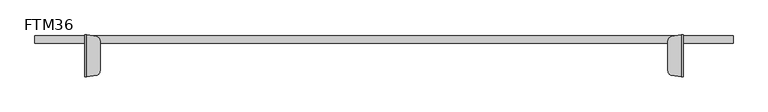
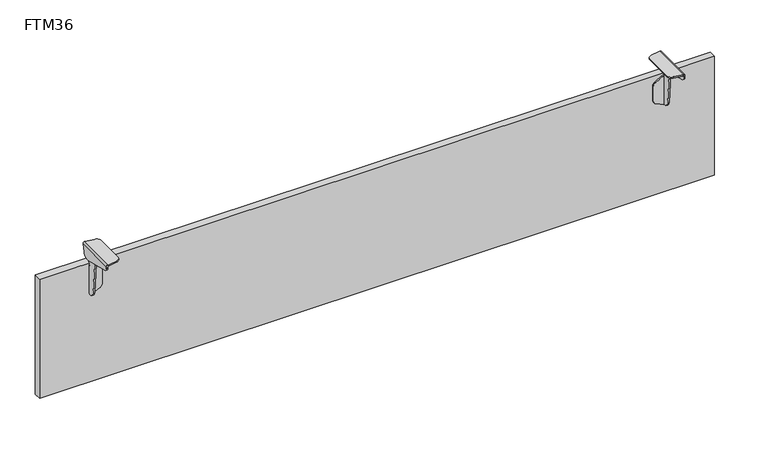
"""IFC4 building model written with IfcOpenShell, lengths in millimetres: furniture geometry, FTM36."""

from ifc_helpers import new_model, si_unit, frame, origin, origin_with_axes, place, context, project, spatial, polyline, circle_curve, ellipse_curve, outline, extrude, source, transform, mapped, element, save
from ifc_brep_helpers import plane_surface, cylinder_surface, revolved_surface, advanced_brep


def ftm36_ca43716c(model_context):
    return source(origin(), model_context, "Body", "SolidModel", [
        advanced_brep(
        [(639.8, -72.16308, 319.1049121), (643.0, -72.16308, 315.9049121), (643.0, 17.6147548, 315.9049121), (642.9937439, 17.6539668, 316.1049121), (642.9937439, 17.83692, 316.1049121), (639.8, 17.83692, 319.1049121), (639.0, 17.83692, 319.1049121), (618.4975038, 14.723401, 319.1049121), (610.0, 4.83692, 319.1049121), (610.0, -59.16308, 319.1049121), (618.498606, -69.0423034, 319.1049121), (639.0, -72.16308, 319.1049121), (610.0, 4.83692, 316.1049121), (610.0, -59.16308, 316.1049121), (618.498606, 14.7161435, 316.1049121), (637.7952546, 17.6539668, 316.1049121), (638.0, 17.6850596, 316.1049121), (638.0, -72.0112195, 316.1049121), (618.4975038, -69.049561, 316.1049121), (640.0, 17.2618463, 314.1049121), (640.0, -72.16308, 314.1049121), (639.0, -72.16308, 315.8369629), (640.0, 14.0544932, 297.7458971), (640.0, -2.4822519, 287.8096181), (640.0, -67.2023451, 304.1426596), (640.0, -71.9879899, 310.8156242), (640.0, -72.1318917, 313.6921538), (643.0, -72.16308, 313.6905936), (643.0, -71.9879899, 310.8156242), (643.0, -67.2023451, 304.1426596), (643.0, -2.4822519, 287.8096181), (643.0, 14.0544932, 297.7458971), (639.0, 17.83692, 316.1049121)],
        [
            (0, 1, circle_curve(frame((639.8, -72.16308, 315.9049121), z_axis=(0.0, 1.0, 0.0), x_axis=(-1.0000000000000007, 0.0, 0.0)), 3.2)),
            (1, 2),
            (2, 3, ellipse_curve(frame((639.8, 17.6147548, 315.9049121), z_axis=(0.0, -0.9813171133351304, 0.19239730527116772), x_axis=(0.0, 0.1923973052711675, 0.9813171133351304)), 3.2609235, 3.2)),
            (3, 4),
            (4, 5, circle_curve(frame((639.8, 17.83692, 315.9049121), z_axis=(0.0, -1.0, 0.0), x_axis=(-1.0000000000000007, 0.0, 0.0)), 3.2)),
            (5, 0),
            (5, 6),
            (6, 7),
            (7, 8, circle_curve(frame((619.9999972, 4.8294947, 319.1049121), z_axis=(0.0, 0.0, 1.0), x_axis=(0.0, -1.0000000000000007, 0.0)), 10.0)),
            (8, 9),
            (9, 10, circle_curve(frame((619.9999972, -59.1556546, 319.1049121), z_axis=(0.0, 0.0, 1.0), x_axis=(0.0, 1.0000000000000007, 0.0)), 10.0)),
            (10, 11),
            (11, 0),
            (8, 12),
            (12, 13),
            (13, 9),
            (12, 14, circle_curve(frame((619.9999972, 4.8294947, 316.1049121), z_axis=(0.0, 0.0, -1.0), x_axis=(0.0, -1.0000000000000007, 0.0)), 10.0)),
            (14, 15),
            (15, 16),
            (16, 17),
            (17, 18),
            (18, 13, circle_curve(frame((619.9999972, -59.1556546, 316.1049121), z_axis=(0.0, 0.0, -1.0), x_axis=(0.0, 1.0000000000000007, 0.0)), 10.0)),
            (16, 19, ellipse_curve(frame((638.0, 17.2618463, 314.1049121), z_axis=(0.0, 0.9813171133351304, -0.19239730527116772), x_axis=(0.0, -0.1923973052711675, -0.9813171133351304)), 2.0380772, 2.0)),
            (19, 20),
            (20, 21, circle_curve(frame((638.0, -72.16308, 314.1049121), z_axis=(0.0, -1.0, 0.0), x_axis=(-1.0000000000000007, 0.0, 0.0)), 2.0)),
            (21, 17, ellipse_curve(frame((638.0, -72.0112195, 314.1049121), z_axis=(-0.15013912753490172, -0.9886648787041333, 0.0), x_axis=(0.9886648787041334, -0.15013912753490108, 0.0)), 2.0229302, 2.0)),
            (19, 22),
            (22, 23, circle_curve(frame((640.0, -0.104124, 302.580771), z_axis=(-1.0, 0.0, 0.0), x_axis=(0.0, 1.0000000000000007, 0.0)), 14.9613652)),
            (23, 24, circle_curve(frame((640.0, 58.171635, 664.5462216), z_axis=(-1.0, 0.0, 0.0), x_axis=(0.0, 1.0000000000000007, 0.0)), 381.5879485)),
            (24, 25, circle_curve(frame((640.0, -64.2507209, 311.3120144), z_axis=(-1.0, 0.0, 0.0), x_axis=(0.0, 1.0000000000000007, 0.0)), 7.7531757)),
            (25, 26),
            (26, 20),
            (1, 27),
            (27, 28),
            (28, 29, circle_curve(frame((643.0, -64.2507209, 311.3120144), z_axis=(1.0, 0.0, 0.0), x_axis=(0.0, 1.0000000000000007, 0.0)), 7.7531757)),
            (29, 30, circle_curve(frame((643.0, 58.171635, 664.5462216), z_axis=(1.0, 0.0, 0.0), x_axis=(0.0, 1.0000000000000007, 0.0)), 381.5879485)),
            (30, 31, circle_curve(frame((643.0, -0.104124, 302.580771), z_axis=(1.0, 0.0, 0.0), x_axis=(0.0, 1.0000000000000007, 0.0)), 14.9613652)),
            (31, 2),
            (18, 10),
            (26, 27),
            (11, 21),
            (6, 32),
            (32, 16),
            (14, 7),
            (4, 32),
            (25, 28),
            (24, 29),
            (23, 30),
            (22, 31),
            (16, 3),
        ],
        [
            cylinder_surface(frame((639.8, -77.16308, 315.9049121), z_axis=(0.0, 1.0000000000000007, 0.0), x_axis=(-1.0000000000000007, 0.0, 0.0)), 3.2),
            plane_surface(frame((639.8, 22.83692, 319.1049121), z_axis=(0.0, 0.0, 1.0), x_axis=(0.0, -1.0, 0.0))),
            plane_surface(frame((610.0, 22.83692, 319.1049121), z_axis=(-1.0, 0.0, 0.0), x_axis=(0.0, -1.0, 0.0))),
            plane_surface(frame((610.0, 22.83692, 316.1049121), z_axis=(0.0, 0.0, -1.0), x_axis=(0.0, -1.0, 0.0))),
            revolved_surface(polyline([(636.0, -72.31494047529199, 314.1049121), (636.0, 17.685059600000116, 314.1049121)]), (638.0, -77.16308, 314.1049121), (0.0, -1.0000000000000007, 0.0)),
            plane_surface(frame((640.0, 22.83692, 314.1049121), z_axis=(-1.0, 0.0, 0.0), x_axis=(0.0, -1.0, 0.0))),
            plane_surface(frame((643.0, 22.83692, 286.8077472), z_axis=(1.0, 0.0, 0.0), x_axis=(0.0, -1.0, 0.0))),
            cylinder_surface(frame((619.9999972, -59.1556546, 268.1049121), z_axis=(0.0, 0.0, -1.0), x_axis=(0.0, 1.0000000000000007, 0.0)), 10.0),
            plane_surface(frame((639.0, -72.16308, 348.1049121), z_axis=(0.0, -1.0, 0.0), x_axis=(0.0, 0.0, -1.0))),
            plane_surface(frame((618.4975038, -69.049561, 348.1049121), z_axis=(-0.15013912753490172, -0.9886648787041333, 0.0), x_axis=(0.0, 0.0, -1.0))),
            plane_surface(frame((639.0, 17.83692, 348.1049121), z_axis=(-0.15013912753491127, 0.9886648787041318, 0.0), x_axis=(0.0, 0.0, -1.0))),
            plane_surface(frame((646.6947292, 17.83692, 348.1049121), z_axis=(0.0, 1.0, 0.0), x_axis=(0.0, 0.0, -1.0))),
            cylinder_surface(frame((619.9999972, 4.8294947, 308.1049121), z_axis=(0.0, 0.0, -1.0), x_axis=(0.0, -1.0000000000000007, 0.0)), 10.0),
            plane_surface(frame((693.0, -72.1318136, 313.6905936), z_axis=(0.0, -0.9987510344134602, -0.04996369940309944), x_axis=(-1.0, 0.0, 0.0))),
            cylinder_surface(frame((593.0, -64.2507209, 311.3120144), z_axis=(-1.0000000000000007, 0.0, 0.0), x_axis=(0.0, 1.0000000000000007, 0.0)), 7.7531757),
            cylinder_surface(frame((593.0, 58.171635, 664.5462216), z_axis=(-1.0000000000000007, 0.0, 0.0), x_axis=(0.0, 1.0000000000000007, 0.0)), 381.5879485),
            cylinder_surface(frame((593.0, -0.104124, 302.580771), z_axis=(-1.0000000000000007, 0.0, 0.0), x_axis=(0.0, 1.0000000000000007, 0.0)), 14.9613652),
            plane_surface(frame((693.0, 14.0544932, 297.7458971), z_axis=(0.0, 0.9813171133351304, -0.19239730527116772), x_axis=(-1.0, 0.0, 0.0))),
            plane_surface(frame((693.0, 17.6539668, 316.1049121), z_axis=(0.0, 0.0, -1.0), x_axis=(-1.0, 0.0, 0.0))),
        ],
        [
            (0, [[1, 2, 3, 4, 5, 6]]),
            (1, [[7, 8, 9, 10, 11, 12, 13, -6]]),
            (2, [[14, 15, 16, -10]]),
            (3, [[17, 18, 19, 20, 21, 22, -15]]),
            (4, [[23, 24, 25, 26, -20]]),
            (5, [[27, 28, 29, 30, 31, 32, -24]]),
            (6, [[33, 34, 35, 36, 37, 38, -2]]),
            (7, [[-11, -16, -22, 39]]),
            (8, [[-25, -32, 40, -33, -1, -13, 41]]),
            (9, [[-12, -39, -21, -26, -41]]),
            (10, [[-8, 42, 43, -19, -18, 44]]),
            (11, [[-5, 45, -42, -7]]),
            (12, [[-17, -14, -9, -44]]),
            (13, [[-34, -40, -31, 46]]),
            (14, [[-30, 47, -35, -46]]),
            (15, [[-29, 48, -36, -47]]),
            (16, [[-28, 49, -37, -48]]),
            (17, [[-27, -23, 50, -3, -38, -49]]),
            (18, [[-43, -45, -4, -50]]),
        ],
    ),
        advanced_brep(
        [(-639.8, -72.16308, 319.1049121), (-639.8, 17.83692, 319.1049121), (-642.9937439, 17.83692, 316.1049121), (-642.9937439, 17.6539668, 316.1049121), (-643.0, 17.6147548, 315.9049121), (-643.0, -72.16308, 315.9049121), (-639.0, -72.16308, 319.1049121), (-618.4975038, -69.049561, 319.1049121), (-610.0, -59.16308, 319.1049121), (-610.0, 4.83692, 319.1049121), (-618.498606, 14.7161435, 319.1049121), (-639.0, 17.83692, 319.1049121), (-610.0, -59.16308, 316.1049121), (-610.0, 4.83692, 316.1049121), (-618.498606, -69.0423034, 316.1049121), (-638.0, -72.0112195, 316.1049121), (-638.0, 17.6850596, 316.1049121), (-637.7952546, 17.6539668, 316.1049121), (-618.4975038, 14.723401, 316.1049121), (-639.0, -72.16308, 315.8369629), (-640.0, -72.16308, 314.1049121), (-640.0, 17.2618463, 314.1049121), (-640.0, -72.16308, 313.6905936), (-640.0, -71.9879899, 310.8156242), (-640.0, -67.2023451, 304.1426596), (-640.0, -2.4822519, 287.8096181), (-640.0, 14.0544932, 297.7458971), (-643.0, 14.0544932, 297.7458971), (-643.0, -2.4822519, 287.8096181), (-643.0, -67.2023451, 304.1426596), (-643.0, -71.9879899, 310.8156242), (-643.0, -72.1318917, 313.6921538), (-639.0, 17.83692, 316.1049121)],
        [
            (0, 1),
            (1, 2, circle_curve(frame((-639.8, 17.83692, 315.9049121), z_axis=(0.0, -1.0, 0.0), x_axis=(1.0000000000000007, 0.0, 0.0)), 3.2)),
            (2, 3),
            (3, 4, ellipse_curve(frame((-639.8, 17.6147548, 315.9049121), z_axis=(0.0, -0.9813171133351304, 0.19239730527116772), x_axis=(0.0, 0.1923973052711675, 0.9813171133351304)), 3.2609235, 3.2)),
            (4, 5),
            (5, 0, circle_curve(frame((-639.8, -72.16308, 315.9049121), z_axis=(0.0, 1.0, 0.0), x_axis=(1.0000000000000007, 0.0, 0.0)), 3.2)),
            (0, 6),
            (6, 7),
            (7, 8, circle_curve(frame((-619.9999972, -59.1556546, 319.1049121), z_axis=(0.0, 0.0, 1.0), x_axis=(0.0, 1.0000000000000007, 0.0)), 10.0)),
            (8, 9),
            (9, 10, circle_curve(frame((-619.9999972, 4.8294947, 319.1049121), z_axis=(0.0, 0.0, 1.0), x_axis=(0.0, -1.0000000000000007, 0.0)), 10.0)),
            (10, 11),
            (11, 1),
            (8, 12),
            (12, 13),
            (13, 9),
            (12, 14, circle_curve(frame((-619.9999972, -59.1556546, 316.1049121), z_axis=(0.0, 0.0, -1.0), x_axis=(0.0, 1.0000000000000007, 0.0)), 10.0)),
            (14, 15),
            (15, 16),
            (16, 17),
            (17, 18),
            (18, 13, circle_curve(frame((-619.9999972, 4.8294947, 316.1049121), z_axis=(0.0, 0.0, -1.0), x_axis=(0.0, -1.0000000000000007, 0.0)), 10.0)),
            (15, 19, ellipse_curve(frame((-638.0, -72.0112195, 314.1049121), z_axis=(0.15013912753490172, -0.9886648787041333, 0.0), x_axis=(-0.9886648787041334, -0.15013912753490108, 0.0)), 2.0229302, 2.0)),
            (19, 20, circle_curve(frame((-638.0, -72.16308, 314.1049121), z_axis=(0.0, -1.0, 0.0), x_axis=(1.0000000000000007, 0.0, 0.0)), 2.0)),
            (20, 21),
            (21, 16, ellipse_curve(frame((-638.0, 17.2618463, 314.1049121), z_axis=(0.0, 0.9813171133351304, -0.19239730527116772), x_axis=(0.0, -0.1923973052711675, -0.9813171133351304)), 2.0380772, 2.0)),
            (20, 22),
            (22, 23),
            (23, 24, circle_curve(frame((-640.0, -64.2507209, 311.3120144), z_axis=(1.0, 0.0, 0.0), x_axis=(0.0, 1.0000000000000007, 0.0)), 7.7531757)),
            (24, 25, circle_curve(frame((-640.0, 58.171635, 664.5462216), z_axis=(1.0, 0.0, 0.0), x_axis=(0.0, 1.0000000000000007, 0.0)), 381.5879485)),
            (25, 26, circle_curve(frame((-640.0, -0.104124, 302.580771), z_axis=(1.0, 0.0, 0.0), x_axis=(0.0, 1.0000000000000007, 0.0)), 14.9613652)),
            (26, 21),
            (4, 27),
            (27, 28, circle_curve(frame((-643.0, -0.104124, 302.580771), z_axis=(-1.0, 0.0, 0.0), x_axis=(0.0, 1.0000000000000007, 0.0)), 14.9613652)),
            (28, 29, circle_curve(frame((-643.0, 58.171635, 664.5462216), z_axis=(-1.0, 0.0, 0.0), x_axis=(0.0, 1.0000000000000007, 0.0)), 381.5879485)),
            (29, 30, circle_curve(frame((-643.0, -64.2507209, 311.3120144), z_axis=(-1.0, 0.0, 0.0), x_axis=(0.0, 1.0000000000000007, 0.0)), 7.7531757)),
            (30, 31),
            (31, 5),
            (7, 14),
            (19, 6),
            (31, 22),
            (10, 18),
            (16, 32),
            (32, 11),
            (32, 2),
            (30, 23),
            (29, 24),
            (28, 25),
            (27, 26),
            (3, 16),
        ],
        [
            cylinder_surface(frame((-639.8, -77.16308, 315.9049121), z_axis=(0.0, 1.0000000000000007, 0.0), x_axis=(1.0000000000000007, 0.0, 0.0)), 3.2),
            plane_surface(frame((-639.8, 22.83692, 319.1049121), z_axis=(0.0, 0.0, 1.0), x_axis=(0.0, -1.0, 0.0))),
            plane_surface(frame((-610.0, 22.83692, 319.1049121), z_axis=(1.0, 0.0, 0.0), x_axis=(0.0, -1.0, 0.0))),
            plane_surface(frame((-610.0, 22.83692, 316.1049121), z_axis=(0.0, 0.0, -1.0), x_axis=(0.0, -1.0, 0.0))),
            revolved_surface(polyline([(-636.0, -72.31494047529199, 314.1049121), (-636.0, 17.685059600000116, 314.1049121)]), (-638.0, -77.16308, 314.1049121), (0.0, -1.0000000000000007, 0.0)),
            plane_surface(frame((-640.0, 22.83692, 314.1049121), z_axis=(1.0, 0.0, 0.0), x_axis=(0.0, -1.0, 0.0))),
            plane_surface(frame((-643.0, 22.83692, 286.8077472), z_axis=(-1.0, 0.0, 0.0), x_axis=(0.0, -1.0, 0.0))),
            cylinder_surface(frame((-619.9999972, -59.1556546, 268.1049121), z_axis=(0.0, 0.0, -1.0), x_axis=(0.0, 1.0000000000000007, 0.0)), 10.0),
            plane_surface(frame((-639.0, -72.16308, 348.1049121), z_axis=(0.0, -1.0, 0.0), x_axis=(0.0, 0.0, -1.0))),
            plane_surface(frame((-618.4975038, -69.049561, 348.1049121), z_axis=(0.15013912753490172, -0.9886648787041333, 0.0), x_axis=(0.0, 0.0, -1.0))),
            plane_surface(frame((-639.0, 17.83692, 348.1049121), z_axis=(0.15013912753491127, 0.9886648787041318, 0.0), x_axis=(0.0, 0.0, -1.0))),
            plane_surface(frame((-646.6947292, 17.83692, 348.1049121), z_axis=(0.0, 1.0, 0.0), x_axis=(0.0, 0.0, -1.0))),
            cylinder_surface(frame((-619.9999972, 4.8294947, 308.1049121), z_axis=(0.0, 0.0, -1.0), x_axis=(0.0, -1.0000000000000007, 0.0)), 10.0),
            plane_surface(frame((-693.0, -72.1318136, 313.6905936), z_axis=(0.0, -0.9987510344134602, -0.04996369940309944), x_axis=(1.0, 0.0, 0.0))),
            cylinder_surface(frame((-593.0, -64.2507209, 311.3120144), z_axis=(1.0000000000000007, 0.0, 0.0), x_axis=(0.0, 1.0000000000000007, 0.0)), 7.7531757),
            cylinder_surface(frame((-593.0, 58.171635, 664.5462216), z_axis=(1.0000000000000007, 0.0, 0.0), x_axis=(0.0, 1.0000000000000007, 0.0)), 381.5879485),
            cylinder_surface(frame((-593.0, -0.104124, 302.580771), z_axis=(1.0000000000000007, 0.0, 0.0), x_axis=(0.0, 1.0000000000000007, 0.0)), 14.9613652),
            plane_surface(frame((-693.0, 14.0544932, 297.7458971), z_axis=(0.0, 0.9813171133351304, -0.19239730527116772), x_axis=(1.0, 0.0, 0.0))),
            plane_surface(frame((-693.0, 17.6539668, 316.1049121), z_axis=(0.0, 0.0, -1.0), x_axis=(1.0, 0.0, 0.0))),
        ],
        [
            (0, [[1, 2, 3, 4, 5, 6]]),
            (1, [[-1, 7, 8, 9, 10, 11, 12, 13]]),
            (2, [[-10, 14, 15, 16]]),
            (3, [[-15, 17, 18, 19, 20, 21, 22]]),
            (4, [[-19, 23, 24, 25, 26]]),
            (5, [[-25, 27, 28, 29, 30, 31, 32]]),
            (6, [[-5, 33, 34, 35, 36, 37, 38]]),
            (7, [[39, -17, -14, -9]]),
            (8, [[40, -7, -6, -38, 41, -27, -24]]),
            (9, [[-40, -23, -18, -39, -8]]),
            (10, [[42, -21, -20, 43, 44, -12]]),
            (11, [[-13, -44, 45, -2]]),
            (12, [[-42, -11, -16, -22]]),
            (13, [[46, -28, -41, -37]]),
            (14, [[-46, -36, 47, -29]]),
            (15, [[-47, -35, 48, -30]]),
            (16, [[-48, -34, 49, -31]]),
            (17, [[-49, -33, -4, 50, -26, -32]]),
            (18, [[-50, -3, -45, -43]]),
        ],
    ),
        advanced_brep(
        [(-640.0, 0.0, 207.9691596), (-640.0, -5.1359201, 207.9358061), (-640.0, -16.1031866, 218.3487266), (-640.0, -24.0162134, 312.947232), (-640.0, -21.9387967, 314.9405936), (-640.0, 2.068775, 314.0105225), (-640.0, 8.2738506, 288.0991458), (-640.0, -1.3959769, 280.7935217), (-640.0, -3.0, 277.2580415), (-640.0, -3.0, 276.3853785), (-640.0, 0.0, 276.3853785), (-637.0, -5.1359201, 207.9358061), (-637.0, -3.0, 207.9358061), (-637.0, -3.0, 276.3853785), (-637.0, -3.0, 277.2580415), (-637.0, -1.3959769, 280.7935217), (-637.0, 8.2738506, 288.0991458), (-637.0, 2.068775, 314.0105225), (-637.0, -21.9387967, 314.9405936), (-637.0, -24.0162134, 312.947232), (-637.0, -16.1031866, 218.3487266), (-635.767477, 0.0, 207.9358061), (-635.767477, -3.0, 207.9358061), (-636.5107174, -3.0, 276.3853785), (-618.7298544, -3.0, 215.3352402), (-612.6982669, -3.0, 224.5141128), (-612.6982669, -3.0, 257.1042486), (-617.78218, -3.0, 265.8124109), (-636.5107174, 0.0, 276.3853785), (-617.78218, 0.0, 265.8124109), (-612.6982669, 0.0, 257.1042486), (-612.6982669, 0.0, 224.5141128), (-618.7298544, 0.0, 215.3352402)],
        [
            (0, 1),
            (1, 2, circle_curve(frame((-640.0, -3.653562, 220.4791018), z_axis=(-1.0, 0.0, 0.0), x_axis=(0.0, 0.0, 1.0)), 12.630584)),
            (2, 3, circle_curve(frame((-640.0, 528.4219489, 311.5276683), z_axis=(-1.0, 0.0, 0.0), x_axis=(0.0, 0.0, 1.0)), 552.4399863)),
            (3, 4, circle_curve(frame((-640.0, -22.0162201, 312.9420928), z_axis=(-1.0, 0.0, 0.0), x_axis=(0.0, 0.0, 1.0)), 2.0)),
            (4, 5),
            (5, 6, circle_curve(frame((-640.0, 0.9856599, 300.0524832), z_axis=(-1.0, 0.0, 0.0), x_axis=(0.0, 0.0, 1.0)), 14.0)),
            (6, 7, circle_curve(frame((-640.0, 34.5004923, 243.3328186), z_axis=(1.0, 0.0, 0.0), x_axis=(0.0, 0.0, 1.0)), 51.8831455)),
            (7, 8, circle_curve(frame((-640.0, 1.9981495, 277.1220226), z_axis=(1.0, 0.0, 0.0), x_axis=(0.0, 0.0, 1.0)), 5.0)),
            (8, 9),
            (9, 10),
            (10, 0),
            (11, 12),
            (12, 13),
            (13, 14),
            (14, 15, circle_curve(frame((-637.0, 1.9981495, 277.1220226), z_axis=(-1.0, 0.0, 0.0), x_axis=(0.0, 0.0, 1.0)), 5.0)),
            (15, 16, circle_curve(frame((-637.0, 34.5004923, 243.3328186), z_axis=(-1.0, 0.0, 0.0), x_axis=(0.0, 0.0, 1.0)), 51.8831455)),
            (16, 17, circle_curve(frame((-637.0, 0.9856599, 300.0524832), z_axis=(1.0, 0.0, 0.0), x_axis=(0.0, 0.0, 1.0)), 14.0)),
            (17, 18),
            (18, 19, circle_curve(frame((-637.0, -22.0162201, 312.9420928), z_axis=(1.0, 0.0, 0.0), x_axis=(0.0, 0.0, 1.0)), 2.0)),
            (19, 20, circle_curve(frame((-637.0, 528.4219489, 311.5276683), z_axis=(1.0, 0.0, 0.0), x_axis=(0.0, 0.0, 1.0)), 552.4399863)),
            (20, 11, circle_curve(frame((-637.0, -3.653562, 220.4791018), z_axis=(1.0, 0.0, 0.0), x_axis=(0.0, 0.0, 1.0)), 12.630584)),
            (0, 21),
            (21, 22),
            (22, 12),
            (11, 1),
            (13, 9),
            (8, 14),
            (7, 15),
            (6, 16),
            (5, 17),
            (4, 18),
            (3, 19),
            (2, 20),
            (23, 13),
            (22, 24),
            (24, 25, circle_curve(frame((-622.6982669, -3.0, 224.5141128), z_axis=(0.0, -1.0, 0.0), x_axis=(-1.0, 0.0, 0.0)), 10.0)),
            (25, 26),
            (26, 27, circle_curve(frame((-622.6982669, -3.0, 257.1042486), z_axis=(0.0, -1.0, 0.0), x_axis=(-1.0, 0.0, 0.0)), 10.0)),
            (27, 23),
            (28, 29),
            (29, 30, circle_curve(frame((-622.6982669, 0.0, 257.1042486), z_axis=(0.0, 1.0, 0.0), x_axis=(-1.0, 0.0, 0.0)), 10.0)),
            (30, 31),
            (31, 32, circle_curve(frame((-622.6982669, 0.0, 224.5141128), z_axis=(0.0, 1.0, 0.0), x_axis=(-1.0, 0.0, 0.0)), 10.0)),
            (32, 21),
            (10, 28),
            (27, 29),
            (28, 23),
            (26, 30),
            (25, 31),
            (24, 32),
        ],
        [
            plane_surface(frame((-640.0, -3.0, 207.9358061), z_axis=(-1.0, 0.0, 0.0), x_axis=(0.0, 1.0, 0.0))),
            plane_surface(frame((-637.0, -3.0, 207.9358061), z_axis=(1.0, 0.0, 0.0), x_axis=(0.0, -1.0, 0.0))),
            plane_surface(frame((-640.0, -5.1359201, 207.9358061), z_axis=(0.0, 0.0, -1.0), x_axis=(1.0, 0.0, 0.0))),
            plane_surface(frame((-640.0, -3.0, 207.9358061), z_axis=(0.0, 1.0, 0.0), x_axis=(1.0, 0.0, 0.0))),
            revolved_surface(polyline([(-637.0, 1.9981495, 282.1220226), (-640.0, 1.9981495, 282.1220226)]), (-637.0, 1.9981495, 277.1220226), (1.0, 0.0, 0.0)),
            revolved_surface(polyline([(-637.0, 34.5004923, 295.2159641), (-640.0, 34.5004923, 295.2159641)]), (-637.0, 34.5004923, 243.3328186), (1.0, 0.0, 0.0)),
            cylinder_surface(frame((-637.0, 0.9856599, 300.0524832), z_axis=(-1.0, 0.0, 0.0), x_axis=(0.0, 0.0, 1.0)), 14.0),
            plane_surface(frame((-640.0, 2.068775, 314.0105225), z_axis=(0.0, 0.03871170098746424, 0.9992504211691168), x_axis=(1.0, 0.0, 0.0))),
            cylinder_surface(frame((-637.0, -22.0162201, 312.9420928), z_axis=(-1.0, 0.0, 0.0), x_axis=(0.0, 0.0, 1.0)), 2.0),
            cylinder_surface(frame((-637.0, 528.4219489, 311.5276683), z_axis=(-1.0, 0.0, 0.0), x_axis=(0.0, 0.0, 1.0)), 552.4399863),
            cylinder_surface(frame((-637.0, -3.653562, 220.4791018), z_axis=(-1.0, 0.0, 0.0), x_axis=(0.0, 0.0, 1.0)), 12.630584),
            plane_surface(frame((-617.82832, -3.0, 265.8384586), z_axis=(0.0, -1.0, 0.0), x_axis=(0.8708162236099727, 0.0, -0.491608690624633))),
            plane_surface(frame((-617.82832, 0.0, 265.8384586), z_axis=(0.0, 1.0, 0.0), x_axis=(-0.8708162236099727, 0.0, 0.491608690624633))),
            plane_surface(frame((-636.5107174, -3.0, 276.3853785), z_axis=(0.491608690624633, 0.0, 0.8708162236099727), x_axis=(0.0, 1.0, 0.0))),
            cylinder_surface(frame((-622.6982669, 0.0, 257.1042486), z_axis=(0.0, -1.0, 0.0), x_axis=(-1.0, 0.0, 0.0)), 10.0),
            plane_surface(frame((-612.6982669, -3.0, 257.1042486), z_axis=(1.0, 0.0, 0.0), x_axis=(0.0, 1.0, 0.0))),
            cylinder_surface(frame((-622.6982669, 0.0, 224.5141128), z_axis=(0.0, -1.0, 0.0), x_axis=(-1.0, 0.0, 0.0)), 10.0),
            plane_surface(frame((-618.7298544, -3.0, 215.3352402), z_axis=(0.39684125094124456, 0.0, -0.9178872597173294), x_axis=(0.0, 1.0, 0.0))),
            plane_surface(frame((-640.0003126, -3.0, 276.3853785), z_axis=(0.0, 0.0, 1.0), x_axis=(0.0, 1.0, 0.0))),
        ],
        [
            (0, [[1, 2, 3, 4, 5, 6, 7, 8, 9, 10, 11]]),
            (1, [[12, 13, 14, 15, 16, 17, 18, 19, 20, 21]]),
            (2, [[22, 23, 24, -12, 25, -1]]),
            (3, [[-14, 26, -9, 27]]),
            (4, [[28, -15, -27, -8]]),
            (5, [[29, -16, -28, -7]]),
            (6, [[30, -17, -29, -6]]),
            (7, [[31, -18, -30, -5]]),
            (8, [[32, -19, -31, -4]]),
            (9, [[33, -20, -32, -3]]),
            (10, [[-25, -21, -33, -2]]),
            (11, [[34, -13, -24, 35, 36, 37, 38, 39]]),
            (12, [[40, 41, 42, 43, 44, -22, -11, 45]]),
            (13, [[46, -40, 47, -39]]),
            (14, [[48, -41, -46, -38]]),
            (15, [[49, -42, -48, -37]]),
            (16, [[50, -43, -49, -36]]),
            (17, [[-23, -44, -50, -35]]),
            (18, [[-10, -26, -34, -47, -45]]),
        ],
    ),
        advanced_brep(
        [(640.0, 0.0, 207.9691596), (640.0, 0.0, 276.3853785), (640.0, -3.0, 276.3853785), (640.0, -3.0, 277.2580415), (640.0, -1.3959769, 280.7935217), (640.0, 8.2738506, 288.0991458), (640.0, 2.068775, 314.0105225), (640.0, -21.9387967, 314.9405936), (640.0, -24.0162134, 312.947232), (640.0, -16.1031866, 218.3487266), (640.0, -5.1359201, 207.9358061), (637.0, -5.1359201, 207.9358061), (637.0, -16.1031866, 218.3487266), (637.0, -24.0162134, 312.947232), (637.0, -21.9387967, 314.9405936), (637.0, 2.068775, 314.0105225), (637.0, 8.2738506, 288.0991458), (637.0, -1.3959769, 280.7935217), (637.0, -3.0, 277.2580415), (637.0, -3.0, 276.3853785), (637.0, -3.0, 207.9358061), (635.767477, -3.0, 207.9358061), (635.767477, 0.0, 207.9358061), (636.5107174, -3.0, 276.3853785), (617.78218, -3.0, 265.8124109), (612.6982669, -3.0, 257.1042486), (612.6982669, -3.0, 224.5141128), (618.7298544, -3.0, 215.3352402), (636.5107174, 0.0, 276.3853785), (618.7298544, 0.0, 215.3352402), (612.6982669, 0.0, 224.5141128), (612.6982669, 0.0, 257.1042486), (617.78218, 0.0, 265.8124109)],
        [
            (0, 1),
            (1, 2),
            (2, 3),
            (3, 4, circle_curve(frame((640.0, 1.9981495, 277.1220226), z_axis=(-1.0, 0.0, 0.0), x_axis=(0.0, 0.0, 1.0)), 5.0)),
            (4, 5, circle_curve(frame((640.0, 34.5004923, 243.3328186), z_axis=(-1.0, 0.0, 0.0), x_axis=(0.0, 0.0, 1.0)), 51.8831455)),
            (5, 6, circle_curve(frame((640.0, 0.9856599, 300.0524832), z_axis=(1.0, 0.0, 0.0), x_axis=(0.0, 0.0, 1.0)), 14.0)),
            (6, 7),
            (7, 8, circle_curve(frame((640.0, -22.0162201, 312.9420928), z_axis=(1.0, 0.0, 0.0), x_axis=(0.0, 0.0, 1.0)), 2.0)),
            (8, 9, circle_curve(frame((640.0, 528.4219489, 311.5276683), z_axis=(1.0, 0.0, 0.0), x_axis=(0.0, 0.0, 1.0)), 552.4399863)),
            (9, 10, circle_curve(frame((640.0, -3.653562, 220.4791018), z_axis=(1.0, 0.0, 0.0), x_axis=(0.0, 0.0, 1.0)), 12.630584)),
            (10, 0),
            (11, 12, circle_curve(frame((637.0, -3.653562, 220.4791018), z_axis=(-1.0, 0.0, 0.0), x_axis=(0.0, 0.0, 1.0)), 12.630584)),
            (12, 13, circle_curve(frame((637.0, 528.4219489, 311.5276683), z_axis=(-1.0, 0.0, 0.0), x_axis=(0.0, 0.0, 1.0)), 552.4399863)),
            (13, 14, circle_curve(frame((637.0, -22.0162201, 312.9420928), z_axis=(-1.0, 0.0, 0.0), x_axis=(0.0, 0.0, 1.0)), 2.0)),
            (14, 15),
            (15, 16, circle_curve(frame((637.0, 0.9856599, 300.0524832), z_axis=(-1.0, 0.0, 0.0), x_axis=(0.0, 0.0, 1.0)), 14.0)),
            (16, 17, circle_curve(frame((637.0, 34.5004923, 243.3328186), z_axis=(1.0, 0.0, 0.0), x_axis=(0.0, 0.0, 1.0)), 51.8831455)),
            (17, 18, circle_curve(frame((637.0, 1.9981495, 277.1220226), z_axis=(1.0, 0.0, 0.0), x_axis=(0.0, 0.0, 1.0)), 5.0)),
            (18, 19),
            (19, 20),
            (20, 11),
            (10, 11),
            (20, 21),
            (21, 22),
            (22, 0),
            (18, 3),
            (2, 19),
            (17, 4),
            (16, 5),
            (15, 6),
            (14, 7),
            (13, 8),
            (12, 9),
            (23, 24),
            (24, 25, circle_curve(frame((622.6982669, -3.0, 257.1042486), z_axis=(0.0, -1.0, 0.0), x_axis=(1.0, 0.0, 0.0)), 10.0)),
            (25, 26),
            (26, 27, circle_curve(frame((622.6982669, -3.0, 224.5141128), z_axis=(0.0, -1.0, 0.0), x_axis=(1.0, 0.0, 0.0)), 10.0)),
            (27, 21),
            (19, 23),
            (28, 1),
            (22, 29),
            (29, 30, circle_curve(frame((622.6982669, 0.0, 224.5141128), z_axis=(0.0, 1.0, 0.0), x_axis=(1.0, 0.0, 0.0)), 10.0)),
            (30, 31),
            (31, 32, circle_curve(frame((622.6982669, 0.0, 257.1042486), z_axis=(0.0, 1.0, 0.0), x_axis=(1.0, 0.0, 0.0)), 10.0)),
            (32, 28),
            (23, 28),
            (32, 24),
            (31, 25),
            (30, 26),
            (29, 27),
        ],
        [
            plane_surface(frame((640.0, -3.0, 207.9358061), z_axis=(1.0, 0.0, 0.0), x_axis=(0.0, 1.0, 0.0))),
            plane_surface(frame((637.0, -3.0, 207.9358061), z_axis=(-1.0, 0.0, 0.0), x_axis=(0.0, -1.0, 0.0))),
            plane_surface(frame((640.0, -5.1359201, 207.9358061), z_axis=(0.0, 0.0, -1.0), x_axis=(-1.0, 0.0, 0.0))),
            plane_surface(frame((640.0, -3.0, 207.9358061), z_axis=(0.0, 1.0, 0.0), x_axis=(-1.0, 0.0, 0.0))),
            revolved_surface(polyline([(637.0, 1.9981495, 282.1220226), (640.0, 1.9981495, 282.1220226)]), (637.0, 1.9981495, 277.1220226), (-1.0, 0.0, 0.0)),
            revolved_surface(polyline([(637.0, 34.5004923, 295.2159641), (640.0, 34.5004923, 295.2159641)]), (637.0, 34.5004923, 243.3328186), (-1.0, 0.0, 0.0)),
            cylinder_surface(frame((637.0, 0.9856599, 300.0524832), z_axis=(1.0, 0.0, 0.0), x_axis=(0.0, 0.0, 1.0)), 14.0),
            plane_surface(frame((640.0, 2.068775, 314.0105225), z_axis=(0.0, 0.03871170098746424, 0.9992504211691168), x_axis=(-1.0, 0.0, 0.0))),
            cylinder_surface(frame((637.0, -22.0162201, 312.9420928), z_axis=(1.0, 0.0, 0.0), x_axis=(0.0, 0.0, 1.0)), 2.0),
            cylinder_surface(frame((637.0, 528.4219489, 311.5276683), z_axis=(1.0, 0.0, 0.0), x_axis=(0.0, 0.0, 1.0)), 552.4399863),
            cylinder_surface(frame((637.0, -3.653562, 220.4791018), z_axis=(1.0, 0.0, 0.0), x_axis=(0.0, 0.0, 1.0)), 12.630584),
            plane_surface(frame((617.82832, -3.0, 265.8384586), z_axis=(0.0, -1.0, 0.0), x_axis=(-0.8708162236099727, 0.0, -0.491608690624633))),
            plane_surface(frame((617.82832, 0.0, 265.8384586), z_axis=(0.0, 1.0, 0.0), x_axis=(0.8708162236099727, 0.0, 0.491608690624633))),
            plane_surface(frame((636.5107174, -3.0, 276.3853785), z_axis=(-0.491608690624633, 0.0, 0.8708162236099727), x_axis=(0.0, 1.0, 0.0))),
            cylinder_surface(frame((622.6982669, 0.0, 257.1042486), z_axis=(0.0, -1.0, 0.0), x_axis=(1.0, 0.0, 0.0)), 10.0),
            plane_surface(frame((612.6982669, -3.0, 257.1042486), z_axis=(-1.0, 0.0, 0.0), x_axis=(0.0, 1.0, 0.0))),
            cylinder_surface(frame((622.6982669, 0.0, 224.5141128), z_axis=(0.0, -1.0, 0.0), x_axis=(1.0, 0.0, 0.0)), 10.0),
            plane_surface(frame((618.7298544, -3.0, 215.3352402), z_axis=(-0.39684125094124456, 0.0, -0.9178872597173294), x_axis=(0.0, 1.0, 0.0))),
            plane_surface(frame((640.0003126, -3.0, 276.3853785), z_axis=(0.0, 0.0, 1.0), x_axis=(0.0, 1.0, 0.0))),
        ],
        [
            (0, [[1, 2, 3, 4, 5, 6, 7, 8, 9, 10, 11]]),
            (1, [[12, 13, 14, 15, 16, 17, 18, 19, 20, 21]]),
            (2, [[-11, 22, -21, 23, 24, 25]]),
            (3, [[26, -3, 27, -19]]),
            (4, [[-4, -26, -18, 28]]),
            (5, [[-5, -28, -17, 29]]),
            (6, [[-6, -29, -16, 30]]),
            (7, [[-7, -30, -15, 31]]),
            (8, [[-8, -31, -14, 32]]),
            (9, [[-9, -32, -13, 33]]),
            (10, [[-10, -33, -12, -22]]),
            (11, [[34, 35, 36, 37, 38, -23, -20, 39]]),
            (12, [[40, -1, -25, 41, 42, 43, 44, 45]]),
            (13, [[-34, 46, -45, 47]]),
            (14, [[-35, -47, -44, 48]]),
            (15, [[-36, -48, -43, 49]]),
            (16, [[-37, -49, -42, 50]]),
            (17, [[-38, -50, -41, -24]]),
            (18, [[-40, -46, -39, -27, -2]]),
        ],
    ),
        extrude(outline(polyline([(750.0, 0.0), (-750.0, 0.0), (-750.0, 16.0), (750.0, 16.0), (750.0, 0.0)])), origin_with_axes(), (0.0, 0.0, 1.0), 280.0),
    ])


if __name__ == "__main__":
    model = new_model("IFC4")
    model_context = context("Model", 3, world=origin())
    ifc_project = project(units=[si_unit("LENGTHUNIT", "METRE", prefix="MILLI")], contexts=[model_context])
    site = spatial("IfcSite", under=ifc_project)
    building = spatial("IfcBuilding", under=site)
    placement = place(None, origin())
    ftm36_shape = ftm36_ca43716c(model_context)
    element("IfcFurniture", 1, ObjectType="FTM36", at=placement, inside=building, context=model_context, shape_type="MappedRepresentation", body=[
        mapped(ftm36_shape, transform((0.0, 0.0, 0.0), x_axis=(1.0, 0.0, 0.0), y_axis=(0.0, 1.0, 0.0), z_axis=(0.0, 0.0, 1.0))),
    ])
    save(model, "model.ifc")
